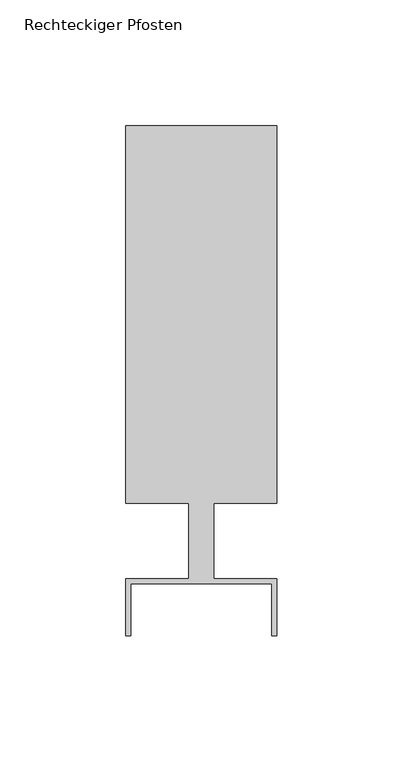
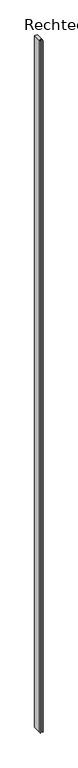
"""IFC4 building model written with IfcOpenShell, lengths in millimetres: member geometry, Rechteckiger Pfosten."""

from ifc_helpers import new_model, si_unit, frame, origin, place, context, project, spatial, polyline, outline, extrude, source, transform, mapped, element, save


def rechteckiger_pfosten_2b5097ba(model_context):
    return source(origin(), model_context, "Body", "SweptSolid", [
        extrude(outline(polyline([(28.0, -37.5), (28.0, -17.0), (-28.0, -17.0), (-28.0, -37.5), (-30.0, -37.5), (-30.0, -15.0), (-5.0, -15.0), (-5.0, 15.0), (-30.0, 15.0), (-30.0, 165.0), (30.0, 165.0), (30.0, 15.0), (5.0, 15.0), (5.0, -15.0), (30.0, -15.0), (30.0, -37.5), (28.0, -37.5)])), frame((0.0, 0.0, -15105.0), z_axis=(0.0, 0.0, 1.0), x_axis=(1.0, 0.0, 0.0)), (0.0, 0.0, 1.0), 15105.0),
    ])


if __name__ == "__main__":
    model = new_model("IFC4")
    model_context = context("Model", 3, world=origin())
    ifc_project = project(units=[si_unit("LENGTHUNIT", "METRE", prefix="MILLI")], contexts=[model_context])
    site = spatial("IfcSite", under=ifc_project)
    building = spatial("IfcBuilding", under=site)
    placement = place(None, origin())
    rechteckiger_pfosten_shape = rechteckiger_pfosten_2b5097ba(model_context)
    element("IfcMember", 1, ObjectType="Rechteckiger Pfosten", at=placement, inside=building, context=model_context, shape_type="MappedRepresentation", body=[
        mapped(rechteckiger_pfosten_shape, transform((0.0, 0.0, 0.0), x_axis=(1.0, 0.0, 0.0), y_axis=(0.0, 1.0, 0.0), z_axis=(0.0, 0.0, 1.0))),
    ])
    save(model, "model.ifc")
